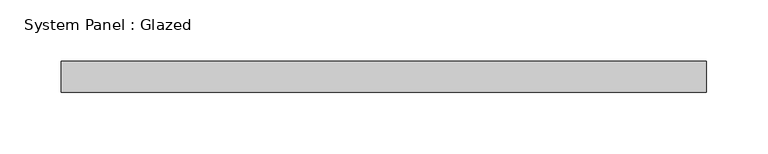
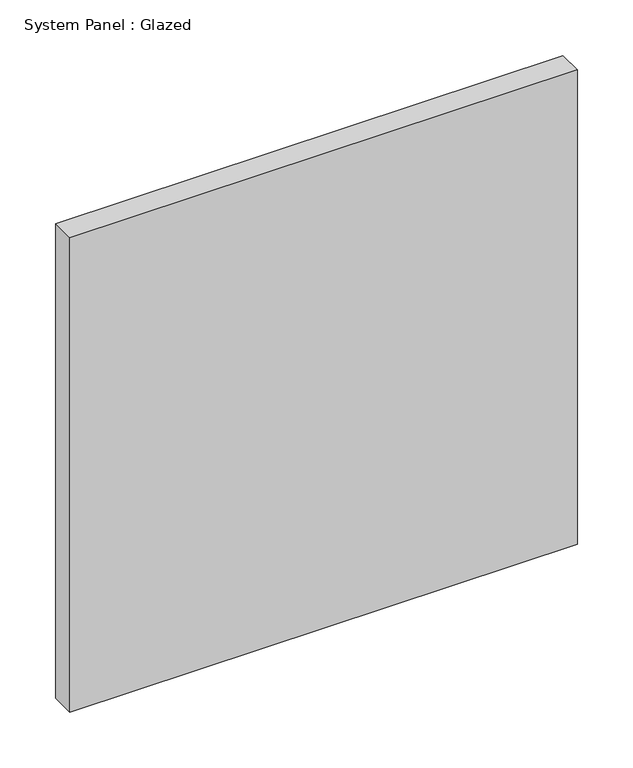
"""IFC4 building model written with IfcOpenShell, lengths in millimetres: plate geometry, System Panel : Glazed."""

from ifc_helpers import new_model, si_unit, origin, origin_with_axes, place, context, project, spatial, polyline, outline, extrude, source, transform, mapped, element, save


def system_panel_glazed_faf11ff1(model_context):
    return source(origin(), model_context, "Body", "SweptSolid", [
        extrude(outline(polyline([(263.525, -44.45), (-263.525, -44.45), (-263.525, -19.05), (263.525, -19.05), (263.525, -44.45)])), origin_with_axes(), (0.0, 0.0, 1.0), 520.7),
    ])


if __name__ == "__main__":
    model = new_model("IFC4")
    model_context = context("Model", 3, world=origin())
    ifc_project = project(units=[si_unit("LENGTHUNIT", "METRE", prefix="MILLI")], contexts=[model_context])
    site = spatial("IfcSite", under=ifc_project)
    building = spatial("IfcBuilding", under=site)
    placement = place(None, origin())
    system_panel_glazed_shape = system_panel_glazed_faf11ff1(model_context)
    element("IfcPlate", 1, ObjectType="System Panel : Glazed", at=placement, inside=building, context=model_context, shape_type="MappedRepresentation", body=[
        mapped(system_panel_glazed_shape, transform((0.0, 0.0, 0.0), x_axis=(1.0, 0.0, 0.0), y_axis=(0.0, 1.0, 0.0), z_axis=(0.0, 0.0, 1.0))),
    ])
    save(model, "model.ifc")
